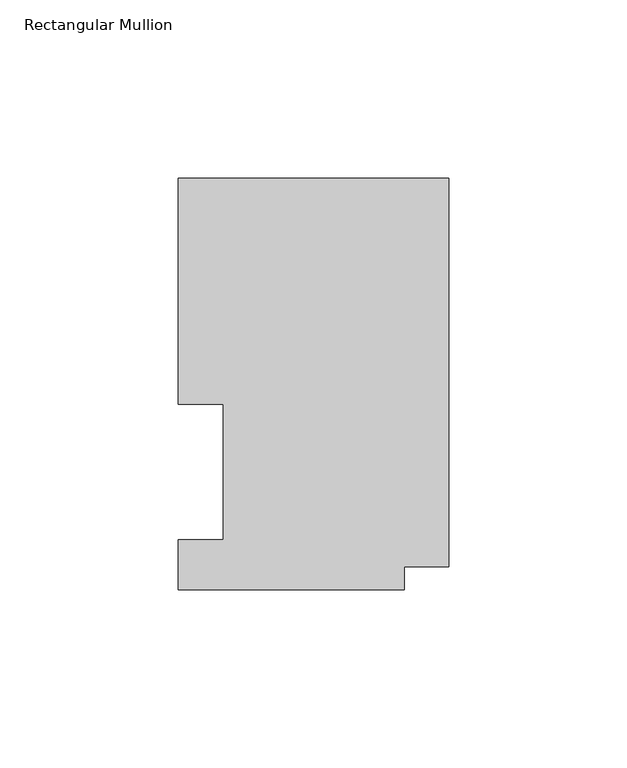
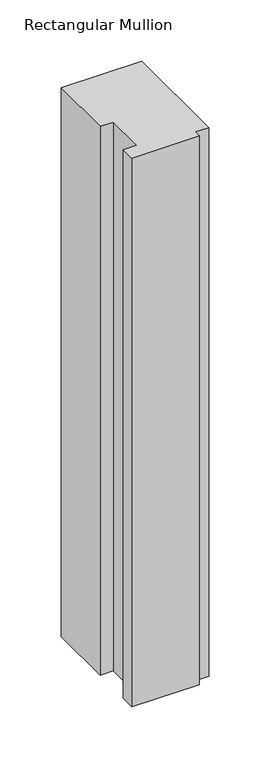
"""IFC4 building model written with IfcOpenShell, lengths in millimetres: member geometry, Rectangular Mullion."""

from ifc_helpers import new_model, si_unit, frame, origin, place, context, project, spatial, polyline, outline, extrude, source, transform, mapped, element, save


def rectangular_mullion_8943ff54(model_context):
    return source(origin(), model_context, "Body", "SweptSolid", [
        extrude(outline(polyline([(0.0, 116.0859375), (0.0, 6.8817476), (-12.5262802, 6.8817476), (-12.5262802, 0.5159375), (-76.0262802, 0.5159375), (-76.0262802, 14.4859545), (-63.3262802, 14.4859545), (-63.3262802, 52.5859375), (-76.0222, 52.5859375), (-76.0222, 116.0859375), (0.0, 116.0859375)])), frame((0.0, 0.0, -547.4101637), z_axis=(0.0, 0.0, 1.0), x_axis=(1.0, 0.0, 0.0)), (0.0, 0.0, 1.0), 547.4101637),
    ])


if __name__ == "__main__":
    model = new_model("IFC4")
    model_context = context("Model", 3, world=origin())
    ifc_project = project(units=[si_unit("LENGTHUNIT", "METRE", prefix="MILLI")], contexts=[model_context])
    site = spatial("IfcSite", under=ifc_project)
    building = spatial("IfcBuilding", under=site)
    placement = place(None, origin())
    rectangular_mullion_shape = rectangular_mullion_8943ff54(model_context)
    element("IfcMember", 1, ObjectType="Rectangular Mullion", at=placement, inside=building, context=model_context, shape_type="MappedRepresentation", body=[
        mapped(rectangular_mullion_shape, transform((0.0, 0.0, 0.0), x_axis=(1.0, 0.0, 0.0), y_axis=(0.0, 1.0, 0.0), z_axis=(0.0, 0.0, 1.0))),
    ])
    save(model, "model.ifc")
